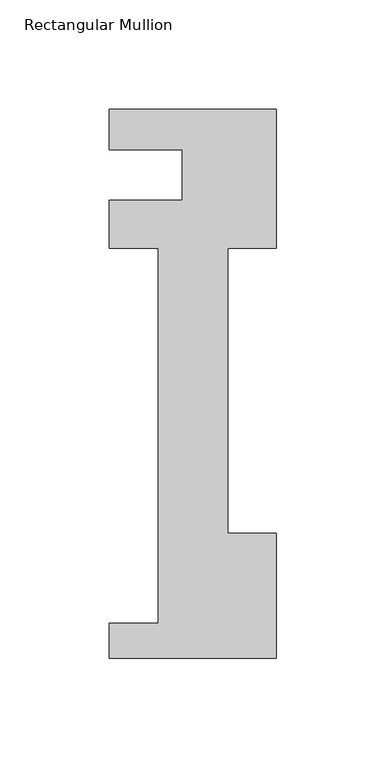
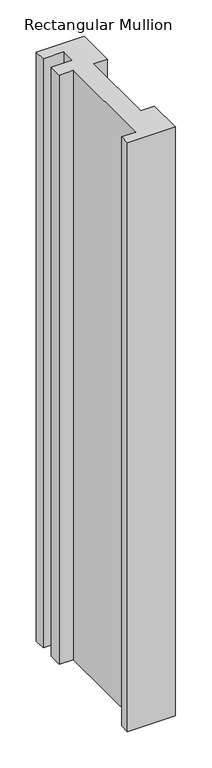
"""IFC4 building model written with IfcOpenShell, lengths in millimetres: member geometry, Rectangular Mullion."""

from ifc_helpers import new_model, si_unit, frame, origin, place, context, project, spatial, polyline, outline, extrude, source, transform, mapped, element, save


def rectangular_mullion_4a91ac23(model_context):
    return source(origin(), model_context, "Body", "SweptSolid", [
        extrude(outline(polyline([(-76.2, -221.996), (-76.2, -206.121), (-53.975, -206.121), (-53.975, -34.671), (-76.2, -34.671), (-76.2, -12.7), (-42.8625, -12.7), (-42.8625, 10.3191857), (-76.2, 10.3191857), (-76.2, 28.8080986), (0.0, 28.8080986), (0.0, -34.671), (-22.225, -34.671), (-22.225, -164.8220701), (0.0, -164.8220701), (0.0, -221.996), (-76.2, -221.996)])), frame((0.0, 0.0, -990.6), z_axis=(0.0, 0.0, 1.0), x_axis=(1.0, 0.0, 0.0)), (0.0, 0.0, 1.0), 990.6),
    ])


if __name__ == "__main__":
    model = new_model("IFC4")
    model_context = context("Model", 3, world=origin())
    ifc_project = project(units=[si_unit("LENGTHUNIT", "METRE", prefix="MILLI")], contexts=[model_context])
    site = spatial("IfcSite", under=ifc_project)
    building = spatial("IfcBuilding", under=site)
    placement = place(None, origin())
    rectangular_mullion_shape = rectangular_mullion_4a91ac23(model_context)
    element("IfcMember", 1, ObjectType="Rectangular Mullion", at=placement, inside=building, context=model_context, shape_type="MappedRepresentation", body=[
        mapped(rectangular_mullion_shape, transform((0.0, 0.0, 0.0), x_axis=(1.0, 0.0, 0.0), y_axis=(0.0, 1.0, 0.0), z_axis=(0.0, 0.0, 1.0))),
    ])
    save(model, "model.ifc")
